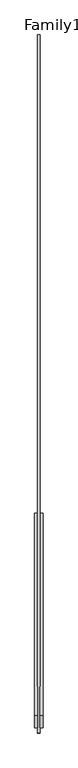
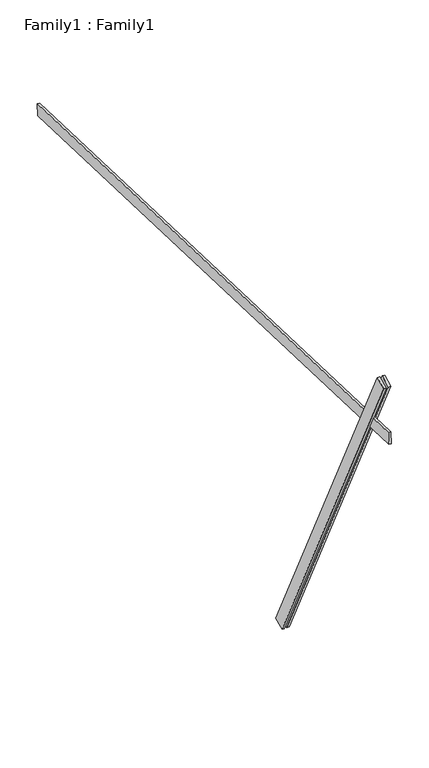
"""IFC4 building model written with IfcOpenShell, lengths in millimetres: proxy geometry, Family1 : Family1."""

from ifc_helpers import new_model, si_unit, frame, origin, place, context, project, spatial, polyline, outline, extrude, source, transform, mapped, element, save


def family1_family1_0767e49a(model_context):
    return source(origin(), model_context, "Body", "SweptSolid", [
        extrude(outline(polyline([(0.0, 0.0), (-100.0000001, 0.0), (-100.0000001, 20.0), (0.0, 20.0), (0.0, 0.0)])), frame((-30.0, -46.3241747, -22.5938096), z_axis=(0.0, -0.4383711467890692, 0.8987940462991711), x_axis=(0.0, -0.8987940462991711, -0.4383711467890692)), (0.0, 0.0, 1.0), 3300.0),
        extrude(outline(polyline([(0.0, 0.0), (-99.9999999, 0.0), (-99.9999999, 20.0), (0.0, 20.0), (0.0, 0.0)])), frame((10.0, -45.270232, -22.0797674), z_axis=(0.0, -0.4383711467890692, 0.8987940462991711), x_axis=(0.0, -0.8987940462991711, -0.4383711467890692)), (0.0, 0.0, 1.0), 3300.0),
        extrude(outline(polyline([(0.0, 20.0), (5000.0, 20.0), (5000.0, 0.0), (0.0, 0.0), (0.0, 20.0)])), frame((-10.0, 3466.2162139, 2302.6867933), z_axis=(0.0, 0.034899496702498645, 0.9993908270190959), x_axis=(0.0, -0.9993908270190959, 0.034899496702498645)), (0.0, 0.0, 1.0), 100.0),
    ])


if __name__ == "__main__":
    model = new_model("IFC4")
    model_context = context("Model", 3, world=origin())
    ifc_project = project(units=[si_unit("LENGTHUNIT", "METRE", prefix="MILLI")], contexts=[model_context])
    site = spatial("IfcSite", under=ifc_project)
    building = spatial("IfcBuilding", under=site)
    placement = place(None, origin())
    family1_family1_shape = family1_family1_0767e49a(model_context)
    element("IfcBuildingElementProxy", 1, Name="Family1 : Family1", ObjectType="Family1 : Family1", at=placement, inside=building, context=model_context, shape_type="MappedRepresentation", body=[
        mapped(family1_family1_shape, transform((0.0, 0.0, 0.0), x_axis=(1.0, 0.0, 0.0), y_axis=(0.0, 1.0, 0.0), z_axis=(0.0, 0.0, 1.0))),
    ])
    save(model, "model.ifc")
